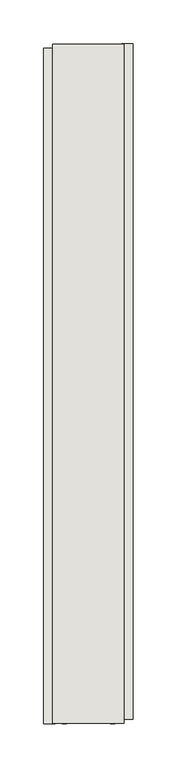
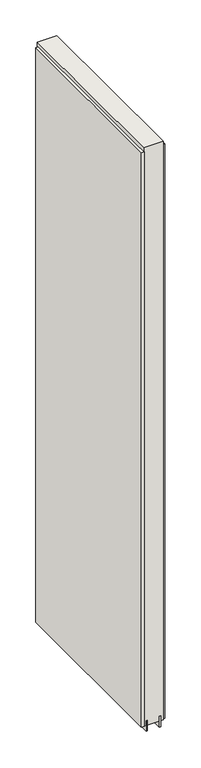
"""IFC4 building model written with IfcOpenShell, lengths in millimetres: wall geometry."""

from ifc_helpers import new_model, si_unit, frame, origin, place, context, project, spatial, polyline, outline, extrude, source, transform, mapped, element, save


def wall_d1258934(model_context):
    return source(origin(), model_context, "Body", "SweptSolid", [
        extrude(outline(polyline([(61018.457211, -41798.076297), (61018.457211, -41800.616297), (61015.917211, -41800.616297), (61015.917211, -41798.076297), (61018.457211, -41798.076297)])), frame((0.0, 0.0, 4419.6), z_axis=(0.0, 0.0, 1.0), x_axis=(1.0, 0.0, 0.0)), (0.0, 0.0, 1.0), 2.54),
        extrude(outline(polyline([(60966.387211, -42570.2418469), (60966.387211, -41802.5430267), (60979.087211, -41802.5430267), (60979.087211, -42570.2418469), (60966.387211, -42570.2418469)])), frame((0.0, 0.0, 4445.0), z_axis=(0.0, 0.0, 1.0), x_axis=(1.0, 0.0, 0.0)), (0.0, 0.0, 1.0), 2545.0498756),
        extrude(outline(polyline([(61067.987211, -41797.6130899), (61067.987211, -42565.3119101), (61055.287211, -42565.3119101), (61055.287211, -41797.6130899), (61067.987211, -41797.6130899)])), frame((0.0, 0.0, 4445.0), z_axis=(0.0, 0.0, 1.0), x_axis=(1.0, 0.0, 0.0)), (0.0, 0.0, 1.0), 2545.0498756),
        extrude(outline(polyline([(60992.1034664, -41798.0874476), (60992.1034664, -42569.7643904), (60987.024711, -42569.7643904), (60987.024711, -41798.0874476), (60992.1034664, -41798.0874476)])), frame((0.0, 0.0, 4418.6602), z_axis=(0.0, 0.0, 1.0), x_axis=(1.0, 0.0, 0.0)), (0.0, 0.0, 1.0), 47.625),
        extrude(outline(polyline([(60992.1034664, -41798.0874476), (60992.1034664, -42569.7643904), (60987.024711, -42569.7643904), (60987.024711, -41798.0874476), (60992.1034664, -41798.0874476)])), frame((0.0, 0.0, 4418.6602), z_axis=(0.0, 0.0, 1.0), x_axis=(1.0, 0.0, 0.0)), (0.0, 0.0, 1.0), 47.625),
        extrude(outline(polyline([(61042.2709556, -42569.7643904), (61042.2709556, -41798.0874476), (61047.349711, -41798.0874476), (61047.349711, -42569.7643904), (61042.2709556, -42569.7643904)])), frame((0.0, 0.0, 4418.6602), z_axis=(0.0, 0.0, 1.0), x_axis=(1.0, 0.0, 0.0)), (0.0, 0.0, 1.0), 47.625),
        extrude(outline(polyline([(61042.2709556, -42569.7643904), (61042.2709556, -41798.0874476), (61047.349711, -41798.0874476), (61047.349711, -42569.7643904), (61042.2709556, -42569.7643904)])), frame((0.0, 0.0, 4418.6602), z_axis=(0.0, 0.0, 1.0), x_axis=(1.0, 0.0, 0.0)), (0.0, 0.0, 1.0), 47.625),
        extrude(outline(polyline([(60976.5323266, -41798.0874476), (61057.8420954, -41798.0874476), (61057.8420954, -42569.7643904), (60976.5323266, -42569.7643904), (60976.5323266, -41798.0874476)])), frame((0.0, 0.0, 4445.0), z_axis=(0.0, 0.0, 1.0), x_axis=(1.0, 0.0, 0.0)), (0.0, 0.0, 1.0), 2562.4536762),
    ])


if __name__ == "__main__":
    model = new_model("IFC4")
    model_context = context("Model", 3, world=origin())
    ifc_project = project(units=[si_unit("LENGTHUNIT", "METRE", prefix="MILLI")], contexts=[model_context])
    site = spatial("IfcSite", under=ifc_project)
    building = spatial("IfcBuilding", under=site)
    placement = place(None, origin())
    wall_shape = wall_d1258934(model_context)
    element("IfcWall", 1, at=placement, inside=building, context=model_context, shape_type="MappedRepresentation", body=[
        mapped(wall_shape, transform((0.0, 0.0, 0.0), x_axis=(1.0, 0.0, 0.0), y_axis=(0.0, 1.0, 0.0), z_axis=(0.0, 0.0, 1.0))),
    ])
    save(model, "model.ifc")
